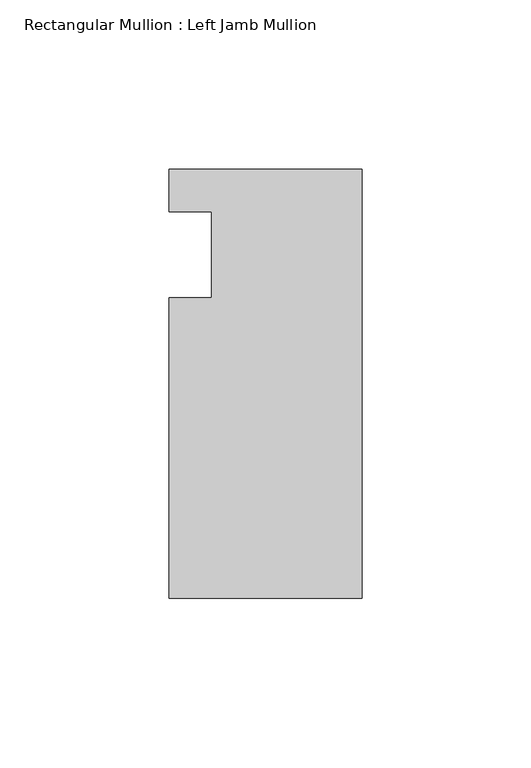
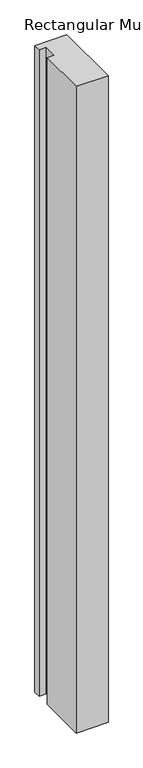
"""IFC4 building model written with IfcOpenShell, lengths in millimetres: member geometry, Rectangular Mullion : Left Jamb Mullion."""

from ifc_helpers import new_model, si_unit, frame, origin, place, context, project, spatial, polyline, outline, extrude, source, transform, mapped, element, save


def rectangular_mullion_left_jamb_mullion_fca3b71a(model_context):
    return source(origin(), model_context, "Body", "SweptSolid", [
        extrude(outline(polyline([(-57.15, -101.6), (-57.15, -12.6374164), (-44.449993, -12.6374164), (-44.449993, 12.7625836), (-57.15, 12.7625836), (-57.15, 25.4), (0.0, 25.4), (0.0, -101.6), (-57.15, -101.6)])), frame((0.0, 0.0, -1219.2), z_axis=(0.0, 0.0, 1.0), x_axis=(1.0, 0.0, 0.0)), (0.0, 0.0, 1.0), 1219.2),
    ])


if __name__ == "__main__":
    model = new_model("IFC4")
    model_context = context("Model", 3, world=origin())
    ifc_project = project(units=[si_unit("LENGTHUNIT", "METRE", prefix="MILLI")], contexts=[model_context])
    site = spatial("IfcSite", under=ifc_project)
    building = spatial("IfcBuilding", under=site)
    placement = place(None, origin())
    rectangular_mullion_left_jamb_mullion_shape = rectangular_mullion_left_jamb_mullion_fca3b71a(model_context)
    element("IfcMember", 1, ObjectType="Rectangular Mullion : Left Jamb Mullion", at=placement, inside=building, context=model_context, shape_type="MappedRepresentation", body=[
        mapped(rectangular_mullion_left_jamb_mullion_shape, transform((0.0, 0.0, 0.0), x_axis=(1.0, 0.0, 0.0), y_axis=(0.0, 1.0, 0.0), z_axis=(0.0, 0.0, 1.0))),
    ])
    save(model, "model.ifc")
